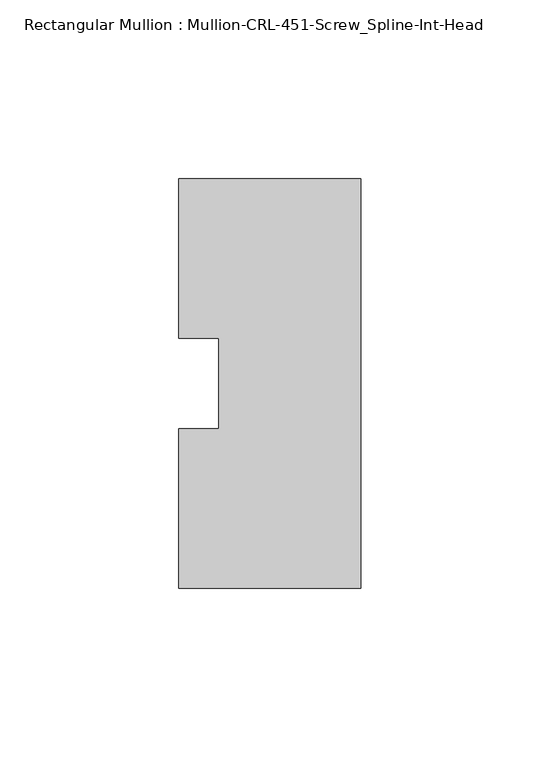
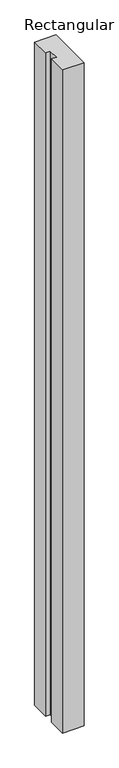
"""IFC4 building model written with IfcOpenShell, lengths in millimetres: member geometry, Rectangular Mullion : Mullion-CRL-451-Screw_Spline-Int-Head."""

from ifc_helpers import new_model, si_unit, frame, origin, place, context, project, spatial, polyline, outline, extrude, source, transform, mapped, element, save


def rectangular_mullion_mullion_crl_451_screw_spline_int_head_270ee7e1(model_context):
    return source(origin(), model_context, "Body", "SweptSolid", [
        extrude(outline(polyline([(0.0, -57.15), (-50.8, -57.15), (-50.8, -12.7), (-39.6875, -12.7), (-39.6875, 12.7), (-50.8, 12.7), (-50.8, 57.15), (0.0, 57.15), (0.0, -57.15)])), frame((0.0, 0.0, -1657.3499516), z_axis=(0.0, 0.0, 1.0), x_axis=(1.0, 0.0, 0.0)), (0.0, 0.0, 1.0), 1657.3499516),
    ])


if __name__ == "__main__":
    model = new_model("IFC4")
    model_context = context("Model", 3, world=origin())
    ifc_project = project(units=[si_unit("LENGTHUNIT", "METRE", prefix="MILLI")], contexts=[model_context])
    site = spatial("IfcSite", under=ifc_project)
    building = spatial("IfcBuilding", under=site)
    placement = place(None, origin())
    rectangular_mullion_mullion_crl_451_screw_spline_int_head_shape = rectangular_mullion_mullion_crl_451_screw_spline_int_head_270ee7e1(model_context)
    element("IfcMember", 1, ObjectType="Rectangular Mullion : Mullion-CRL-451-Screw_Spline-Int-Head", at=placement, inside=building, context=model_context, shape_type="MappedRepresentation", body=[
        mapped(rectangular_mullion_mullion_crl_451_screw_spline_int_head_shape, transform((0.0, 0.0, 0.0), x_axis=(1.0, 0.0, 0.0), y_axis=(0.0, 1.0, 0.0), z_axis=(0.0, 0.0, 1.0))),
    ])
    save(model, "model.ifc")
